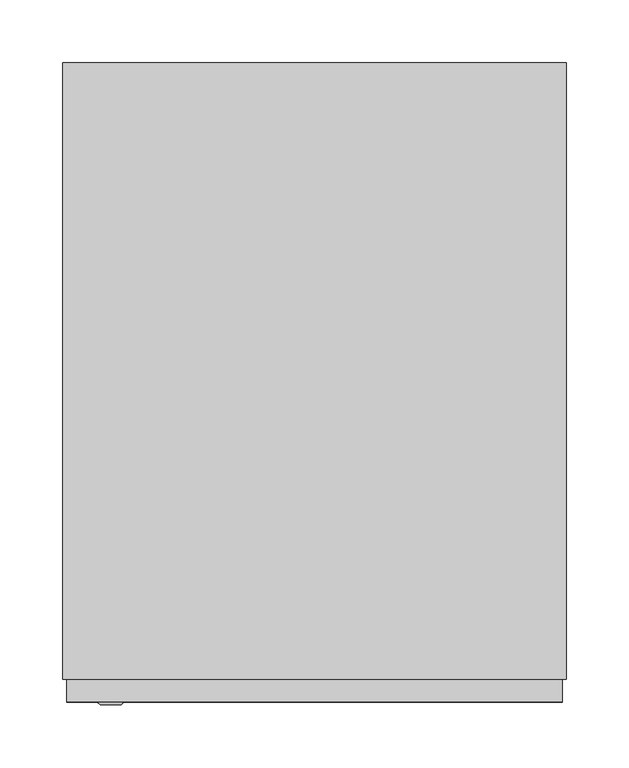
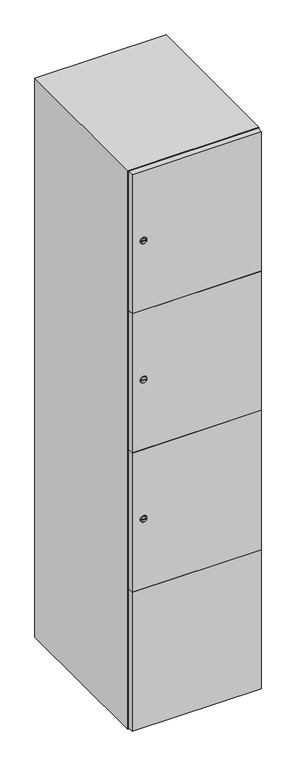
"""IFC4 building model written with IfcOpenShell, lengths in millimetres: furniture geometry."""

from ifc_helpers import new_model, si_unit, point, frame, frame_2d, origin, place, context, project, spatial, polyline, circle_curve, trimmed, segment, composite_curve, outline, extrude, faceted_brep, source, transform, mapped, element, save
from ifc_brep_helpers import plane_surface, revolved_surface, advanced_brep


def furniture_58e167de(model_context):
    return source(origin(), model_context, "Body", "SolidModel", [
        extrude(outline(composite_curve([segment(trimmed(circle_curve(frame_2d((710.75, -188.7989466)), 7.0), [point((717.75, -188.7989466))], [point((703.75, -188.7989466))], False, "CARTESIAN"), True, "CONTINUOUS"), segment(polyline([(703.75, -188.7989466), (703.75, -160.7989466)]), True, "CONTINUOUS"), segment(trimmed(circle_curve(frame_2d((710.75, -160.7989466)), 7.0), [point((703.75, -160.7989466))], [point((717.75, -160.7989466))], False, "CARTESIAN"), True, "CONTINUOUS"), segment(polyline([(717.75, -160.7989466), (717.75, -188.7989466)]), True, "CONTINUOUS")], self_intersect=False)), frame((0.0, -245.0, 0.0), z_axis=(0.0, 1.0, 0.0), x_axis=(0.0, 0.0, 1.0)), (0.0, 0.0, 1.0), 2.0),
        advanced_brep(
        [(-153.5, -265.2, 710.75), (-170.5, -265.2, 710.75), (-167.0, -265.2, 709.5), (-167.0, -265.2, 712.0), (-157.0, -265.2, 712.0), (-157.0, -265.2, 709.5), (-151.5, -263.0, 710.75), (-172.5, -263.0, 710.75), (-167.0, -263.0, 712.0), (-167.0, -263.0, 709.5), (-157.0, -263.0, 709.5), (-157.0, -263.0, 712.0)],
        [
            (0, 1, circle_curve(frame((-162.0, -265.2, 710.75), z_axis=(0.0, -1.0, 0.0), x_axis=(1.0, 0.0, 0.0)), 8.5)),
            (1, 0, circle_curve(frame((-162.0, -265.2, 710.75), z_axis=(0.0, -1.0, 0.0), x_axis=(-1.0, 0.0, 0.0)), 8.5)),
            (2, 3),
            (3, 4),
            (4, 5),
            (5, 2),
            (6, 7, circle_curve(frame((-162.0, -263.0, 710.75), z_axis=(0.0, 1.0, 0.0), x_axis=(-1.0, 0.0, 0.0)), 10.5)),
            (7, 6, circle_curve(frame((-162.0, -263.0, 710.75), z_axis=(0.0, 1.0, 0.0), x_axis=(1.0, 0.0, 0.0)), 10.5)),
            (8, 9),
            (9, 10),
            (10, 11),
            (11, 8),
            (0, 6),
            (7, 1),
            (8, 3),
            (2, 9),
            (11, 4),
            (10, 5),
        ],
        [
            plane_surface(frame((-162.0, -265.2, 710.75), z_axis=(0.0, -1.0, 0.0), x_axis=(0.0, 0.0, 1.0))),
            plane_surface(frame((-162.0, -263.0, 710.75), z_axis=(0.0, 1.0, 0.0), x_axis=(0.0, 0.0, 1.0))),
            revolved_surface(polyline([(-153.5, -265.2, 710.75), (-151.5, -263.0, 710.75)]), (-162.0, -274.55, 710.75), (0.0, 1.0, 0.0)),
            revolved_surface(polyline([(-170.5, -265.2, 710.75), (-172.5, -263.0, 710.75)]), (-162.0, -274.55, 710.75), (0.0, 1.0, 0.0)),
            plane_surface(frame((-167.0, -263.0, 709.5), z_axis=(1.0, 0.0, 0.0), x_axis=(0.0, -1.0, 0.0))),
            plane_surface(frame((-167.0, -263.0, 712.0), z_axis=(0.0, 0.0, -1.0), x_axis=(0.0, -1.0, 0.0))),
            plane_surface(frame((-157.0, -263.0, 712.0), z_axis=(-1.0, 0.0, 0.0), x_axis=(0.0, -1.0, 0.0))),
            plane_surface(frame((-157.0, -263.0, 709.5), z_axis=(0.0, 0.0, 1.0), x_axis=(0.0, -1.0, 0.0))),
        ],
        [
            (0, [[1, 2], [3, 4, 5, 6]]),
            (1, [[7, 8], [9, 10, 11, 12]]),
            (2, [[-1, 13, -8, 14]]),
            (3, [[-2, -14, -7, -13]]),
            (4, [[15, -3, 16, -9]]),
            (5, [[-15, -12, 17, -4]]),
            (6, [[-17, -11, 18, -5]]),
            (7, [[-16, -6, -18, -10]]),
        ],
    ),
        extrude(outline(composite_curve([segment(trimmed(circle_curve(frame_2d((1159.25, -188.7989466)), 7.0), [point((1166.25, -188.7989466))], [point((1152.25, -188.7989466))], False, "CARTESIAN"), True, "CONTINUOUS"), segment(polyline([(1152.25, -188.7989466), (1152.25, -160.7989466)]), True, "CONTINUOUS"), segment(trimmed(circle_curve(frame_2d((1159.25, -160.7989466)), 7.0), [point((1152.25, -160.7989466))], [point((1166.25, -160.7989466))], False, "CARTESIAN"), True, "CONTINUOUS"), segment(polyline([(1166.25, -160.7989466), (1166.25, -188.7989466)]), True, "CONTINUOUS")], self_intersect=False)), frame((0.0, -245.0, 0.0), z_axis=(0.0, 1.0, 0.0), x_axis=(0.0, 0.0, 1.0)), (0.0, 0.0, 1.0), 2.0),
        advanced_brep(
        [(-153.5, -265.2, 1159.25), (-170.5, -265.2, 1159.25), (-167.0, -265.2, 1158.0), (-167.0, -265.2, 1160.5), (-157.0, -265.2, 1160.5), (-157.0, -265.2, 1158.0), (-151.5, -263.0, 1159.25), (-172.5, -263.0, 1159.25), (-167.0, -263.0, 1160.5), (-167.0, -263.0, 1158.0), (-157.0, -263.0, 1158.0), (-157.0, -263.0, 1160.5)],
        [
            (0, 1, circle_curve(frame((-162.0, -265.2, 1159.25), z_axis=(0.0, -1.0, 0.0), x_axis=(1.0, 0.0, 0.0)), 8.5)),
            (1, 0, circle_curve(frame((-162.0, -265.2, 1159.25), z_axis=(0.0, -1.0, 0.0), x_axis=(-1.0, 0.0, 0.0)), 8.5)),
            (2, 3),
            (3, 4),
            (4, 5),
            (5, 2),
            (6, 7, circle_curve(frame((-162.0, -263.0, 1159.25), z_axis=(0.0, 1.0, 0.0), x_axis=(-1.0, 0.0, 0.0)), 10.5)),
            (7, 6, circle_curve(frame((-162.0, -263.0, 1159.25), z_axis=(0.0, 1.0, 0.0), x_axis=(1.0, 0.0, 0.0)), 10.5)),
            (8, 9),
            (9, 10),
            (10, 11),
            (11, 8),
            (0, 6),
            (7, 1),
            (8, 3),
            (2, 9),
            (11, 4),
            (10, 5),
        ],
        [
            plane_surface(frame((-162.0, -265.2, 1159.25), z_axis=(0.0, -1.0, 0.0), x_axis=(0.0, 0.0, 1.0))),
            plane_surface(frame((-162.0, -263.0, 1159.25), z_axis=(0.0, 1.0, 0.0), x_axis=(0.0, 0.0, 1.0))),
            revolved_surface(polyline([(-153.5, -265.2, 1159.25), (-151.5, -263.0, 1159.25)]), (-162.0, -274.55, 1159.25), (0.0, 1.0, 0.0)),
            revolved_surface(polyline([(-170.5, -265.2, 1159.25), (-172.5, -263.0, 1159.25)]), (-162.0, -274.55, 1159.25), (0.0, 1.0, 0.0)),
            plane_surface(frame((-167.0, -263.0, 1158.0), z_axis=(1.0, 0.0, 0.0), x_axis=(0.0, -1.0, 0.0))),
            plane_surface(frame((-167.0, -263.0, 1160.5), z_axis=(0.0, 0.0, -1.0), x_axis=(0.0, -1.0, 0.0))),
            plane_surface(frame((-157.0, -263.0, 1160.5), z_axis=(-1.0, 0.0, 0.0), x_axis=(0.0, -1.0, 0.0))),
            plane_surface(frame((-157.0, -263.0, 1158.0), z_axis=(0.0, 0.0, 1.0), x_axis=(0.0, -1.0, 0.0))),
        ],
        [
            (0, [[1, 2], [3, 4, 5, 6]]),
            (1, [[7, 8], [9, 10, 11, 12]]),
            (2, [[-1, 13, -8, 14]]),
            (3, [[-2, -14, -7, -13]]),
            (4, [[15, -3, 16, -9]]),
            (5, [[-15, -12, 17, -4]]),
            (6, [[-17, -11, 18, -5]]),
            (7, [[-16, -6, -18, -10]]),
        ],
    ),
        extrude(outline(composite_curve([segment(trimmed(circle_curve(frame_2d((1607.75, -188.7989466)), 7.0), [point((1614.75, -188.7989466))], [point((1600.75, -188.7989466))], False, "CARTESIAN"), True, "CONTINUOUS"), segment(polyline([(1600.75, -188.7989466), (1600.75, -160.7989466)]), True, "CONTINUOUS"), segment(trimmed(circle_curve(frame_2d((1607.75, -160.7989466)), 7.0), [point((1600.75, -160.7989466))], [point((1614.75, -160.7989466))], False, "CARTESIAN"), True, "CONTINUOUS"), segment(polyline([(1614.75, -160.7989466), (1614.75, -188.7989466)]), True, "CONTINUOUS")], self_intersect=False)), frame((0.0, -245.0, 0.0), z_axis=(0.0, 1.0, 0.0), x_axis=(0.0, 0.0, 1.0)), (0.0, 0.0, 1.0), 2.0),
        advanced_brep(
        [(-153.5, -265.2, 1607.75), (-170.5, -265.2, 1607.75), (-167.0, -265.2, 1606.5), (-167.0, -265.2, 1609.0), (-157.0, -265.2, 1609.0), (-157.0, -265.2, 1606.5), (-151.5, -263.0, 1607.75), (-172.5, -263.0, 1607.75), (-167.0, -263.0, 1609.0), (-167.0, -263.0, 1606.5), (-157.0, -263.0, 1606.5), (-157.0, -263.0, 1609.0)],
        [
            (0, 1, circle_curve(frame((-162.0, -265.2, 1607.75), z_axis=(0.0, -1.0, 0.0), x_axis=(1.0, 0.0, 0.0)), 8.5)),
            (1, 0, circle_curve(frame((-162.0, -265.2, 1607.75), z_axis=(0.0, -1.0, 0.0), x_axis=(-1.0, 0.0, 0.0)), 8.5)),
            (2, 3),
            (3, 4),
            (4, 5),
            (5, 2),
            (6, 7, circle_curve(frame((-162.0, -263.0, 1607.75), z_axis=(0.0, 1.0, 0.0), x_axis=(-1.0, 0.0, 0.0)), 10.5)),
            (7, 6, circle_curve(frame((-162.0, -263.0, 1607.75), z_axis=(0.0, 1.0, 0.0), x_axis=(1.0, 0.0, 0.0)), 10.5)),
            (8, 9),
            (9, 10),
            (10, 11),
            (11, 8),
            (0, 6),
            (7, 1),
            (8, 3),
            (2, 9),
            (11, 4),
            (10, 5),
        ],
        [
            plane_surface(frame((-162.0, -265.2, 1607.75), z_axis=(0.0, -1.0, 0.0), x_axis=(0.0, 0.0, 1.0))),
            plane_surface(frame((-162.0, -263.0, 1607.75), z_axis=(0.0, 1.0, 0.0), x_axis=(0.0, 0.0, 1.0))),
            revolved_surface(polyline([(-153.5, -265.2, 1607.75), (-151.5, -263.0, 1607.75)]), (-162.0, -274.55, 1607.75), (0.0, 1.0, 0.0)),
            revolved_surface(polyline([(-170.5, -265.2, 1607.75), (-172.5, -263.0, 1607.75)]), (-162.0, -274.55, 1607.75), (0.0, 1.0, 0.0)),
            plane_surface(frame((-167.0, -263.0, 1606.5), z_axis=(1.0, 0.0, 0.0), x_axis=(0.0, -1.0, 0.0))),
            plane_surface(frame((-167.0, -263.0, 1609.0), z_axis=(0.0, 0.0, -1.0), x_axis=(0.0, -1.0, 0.0))),
            plane_surface(frame((-157.0, -263.0, 1609.0), z_axis=(-1.0, 0.0, 0.0), x_axis=(0.0, -1.0, 0.0))),
            plane_surface(frame((-157.0, -263.0, 1606.5), z_axis=(0.0, 0.0, 1.0), x_axis=(0.0, -1.0, 0.0))),
        ],
        [
            (0, [[1, 2], [3, 4, 5, 6]]),
            (1, [[7, 8], [9, 10, 11, 12]]),
            (2, [[-1, 13, -8, 14]]),
            (3, [[-2, -14, -7, -13]]),
            (4, [[15, -3, 16, -9]]),
            (5, [[-15, -12, 17, -4]]),
            (6, [[-17, -11, 18, -5]]),
            (7, [[-16, -6, -18, -10]]),
        ],
    ),
        extrude(outline(polyline([(197.0, -245.0), (197.0, -263.0), (-197.0, -263.0), (-197.0, -245.0), (197.0, -245.0)])), frame((0.0, 0.0, 486.0), z_axis=(0.0, 0.0, 1.0), x_axis=(1.0, 0.0, 0.0)), (0.0, 0.0, 1.0), 448.5),
        extrude(outline(polyline([(197.0, -245.0), (197.0, -263.0), (-197.0, -263.0), (-197.0, -245.0), (197.0, -245.0)])), frame((0.0, 0.0, 935.5), z_axis=(0.0, 0.0, 1.0), x_axis=(1.0, 0.0, 0.0)), (0.0, 0.0, 1.0), 447.5),
        extrude(outline(polyline([(-197.0, -263.0), (-197.0, -245.0), (197.0, -245.0), (197.0, -263.0), (-197.0, -263.0)])), frame((0.0, 0.0, 1384.0), z_axis=(0.0, 0.0, 1.0), x_axis=(1.0, 0.0, 0.0)), (0.0, 0.0, 1.0), 448.0),
        extrude(outline(polyline([(197.0, -245.0), (197.0, -263.0), (-197.0, -263.0), (-197.0, -245.0), (197.0, -245.0)])), frame((0.0, 0.0, 38.0), z_axis=(0.0, 0.0, 1.0), x_axis=(1.0, 0.0, 0.0)), (0.0, 0.0, 1.0), 449.0),
        extrude(outline(polyline([(179.6, 242.0), (179.6, -227.0), (-179.6, -227.0), (-179.6, 242.0), (179.6, 242.0)])), frame((0.0, 0.0, 1359.7), z_axis=(0.0, 0.0, 1.0), x_axis=(1.0, 0.0, 0.0)), (0.0, 0.0, 1.0), 20.4),
        extrude(outline(polyline([(179.6, 242.0), (179.6, -227.0), (-179.6, -227.0), (-179.6, 242.0), (179.6, 242.0)])), frame((0.0, 0.0, 924.8), z_axis=(0.0, 0.0, 1.0), x_axis=(1.0, 0.0, 0.0)), (0.0, 0.0, 1.0), 20.4),
        extrude(outline(polyline([(179.6, 242.0), (179.6, -227.0), (-179.6, -227.0), (-179.6, 242.0), (179.6, 242.0)])), frame((0.0, 0.0, 489.9), z_axis=(0.0, 0.0, 1.0), x_axis=(1.0, 0.0, 0.0)), (0.0, 0.0, 1.0), 20.4),
        faceted_brep([(200.0, -245.0, 35.0), (200.0, -245.0, 1835.0), (-200.0, -245.0, 1835.0), (-200.0, -245.0, 35.0), (179.6, -245.0, 1804.8), (179.6, -245.0, 65.2), (-179.6, -245.0, 65.2), (-179.6, -245.0, 1804.8), (200.0, 245.0, 35.0), (-200.0, 245.0, 35.0), (200.0, 245.0, 1835.0), (-200.0, 245.0, 1835.0), (179.6, 242.0, 1804.8), (179.6, 242.0, 65.2), (-200.0, 245.0, 1804.8), (-179.6, 242.0, 1804.8), (-179.6, 242.0, 65.2)], [[[0, 1, 2, 3], [4, 5, 6, 7]], [[8, 0, 3, 9]], [[1, 0, 8, 10]], [[1, 10, 11, 2]], [[4, 12, 13, 5]], [[9, 3, 2, 11, 14]], [[10, 8, 9, 14, 11]], [[12, 15, 16, 13]], [[15, 7, 6, 16]], [[4, 7, 15, 12]], [[6, 5, 13, 16]]]),
    ])


if __name__ == "__main__":
    model = new_model("IFC4")
    model_context = context("Model", 3, world=origin())
    ifc_project = project(units=[si_unit("LENGTHUNIT", "METRE", prefix="MILLI")], contexts=[model_context])
    site = spatial("IfcSite", under=ifc_project)
    building = spatial("IfcBuilding", under=site)
    placement = place(None, origin())
    furniture_shape = furniture_58e167de(model_context)
    element("IfcFurniture", 1, at=placement, inside=building, context=model_context, shape_type="MappedRepresentation", body=[
        mapped(furniture_shape, transform((0.0, 0.0, 0.0), x_axis=(1.0, 0.0, 0.0), y_axis=(0.0, 1.0, 0.0), z_axis=(0.0, 0.0, 1.0))),
    ])
    save(model, "model.ifc")
